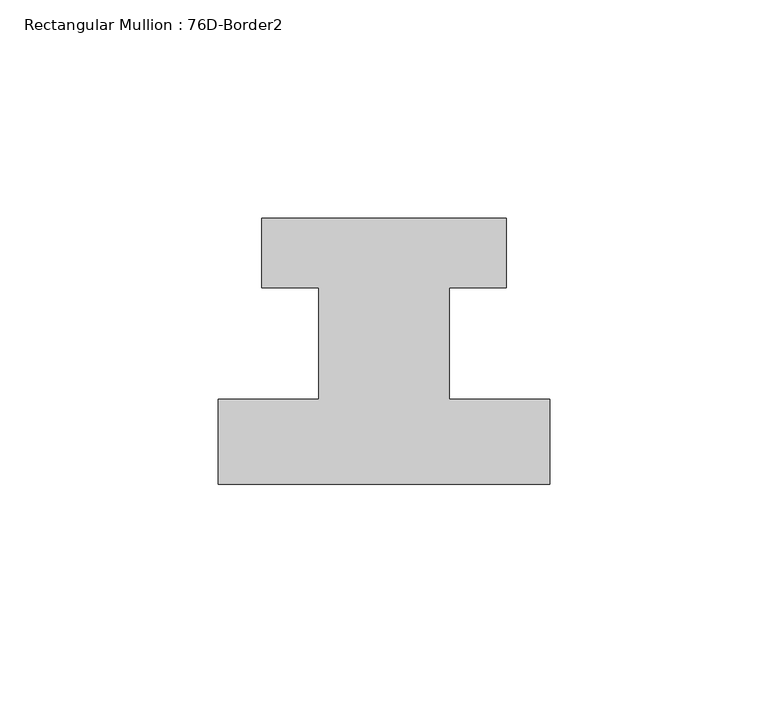
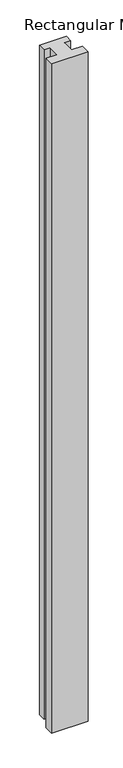
"""IFC4 building model written with IfcOpenShell, lengths in millimetres: member geometry, Rectangular Mullion : 76D-Border2."""

from ifc_helpers import new_model, si_unit, frame, origin, place, context, project, spatial, polyline, outline, extrude, source, transform, mapped, element, save


def rectangular_mullion_76d_border2_ed9f2f85(model_context):
    return source(origin(), model_context, "Body", "SweptSolid", [
        extrude(outline(polyline([(0.0, -20.0), (-76.0, -20.0), (-76.0, -0.5), (-53.0, -0.5), (-53.0, 25.0), (-66.0, 25.0), (-66.0, 41.0), (-10.0, 41.0), (-10.0, 25.0), (-23.0, 25.0), (-23.0, -0.5), (0.0, -0.5), (0.0, -20.0)])), frame((0.0, 0.0, -1477.534293), z_axis=(0.0, 0.0, 1.0), x_axis=(1.0, 0.0, 0.0)), (0.0, 0.0, 1.0), 1477.534293),
    ])


if __name__ == "__main__":
    model = new_model("IFC4")
    model_context = context("Model", 3, world=origin())
    ifc_project = project(units=[si_unit("LENGTHUNIT", "METRE", prefix="MILLI")], contexts=[model_context])
    site = spatial("IfcSite", under=ifc_project)
    building = spatial("IfcBuilding", under=site)
    placement = place(None, origin())
    rectangular_mullion_76d_border2_shape = rectangular_mullion_76d_border2_ed9f2f85(model_context)
    element("IfcMember", 1, ObjectType="Rectangular Mullion : 76D-Border2", at=placement, inside=building, context=model_context, shape_type="MappedRepresentation", body=[
        mapped(rectangular_mullion_76d_border2_shape, transform((0.0, 0.0, 0.0), x_axis=(1.0, 0.0, 0.0), y_axis=(0.0, 1.0, 0.0), z_axis=(0.0, 0.0, 1.0))),
    ])
    save(model, "model.ifc")
